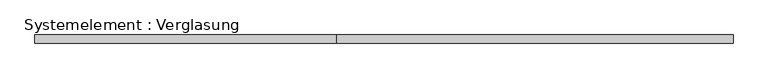
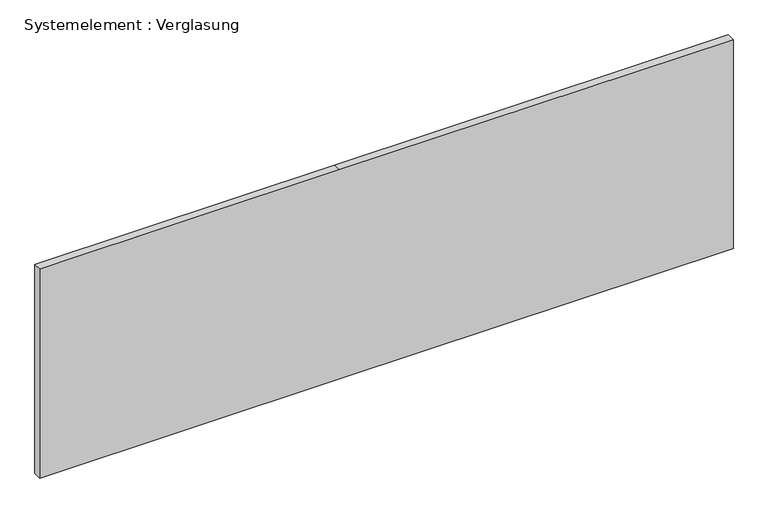
"""IFC4 building model written with IfcOpenShell, lengths in millimetres: plate geometry, Systemelement : Verglasung."""

from ifc_helpers import new_model, si_unit, frame, origin, place, context, project, spatial, polyline, outline, extrude, source, transform, mapped, element, save


def systemelement_verglasung_7e471e20(model_context):
    return source(origin(), model_context, "Body", "SweptSolid", [
        extrude(outline(polyline([(0.0, -1290.0000001), (0.0, -175.0294527), (0.0, 1290.0000001), (823.3333333, 1290.0000001), (823.3333333, -175.0294527), (823.3333333, -1290.0000001), (0.0, -1290.0000001)])), frame((0.0, -15.0, 0.0), z_axis=(0.0, 1.0, 0.0), x_axis=(0.0, 0.0, 1.0)), (0.0, 0.0, 1.0), 30.0),
    ])


if __name__ == "__main__":
    model = new_model("IFC4")
    model_context = context("Model", 3, world=origin())
    ifc_project = project(units=[si_unit("LENGTHUNIT", "METRE", prefix="MILLI")], contexts=[model_context])
    site = spatial("IfcSite", under=ifc_project)
    building = spatial("IfcBuilding", under=site)
    placement = place(None, origin())
    systemelement_verglasung_shape = systemelement_verglasung_7e471e20(model_context)
    element("IfcPlate", 1, ObjectType="Systemelement : Verglasung", at=placement, inside=building, context=model_context, shape_type="MappedRepresentation", body=[
        mapped(systemelement_verglasung_shape, transform((0.0, 0.0, 0.0), x_axis=(1.0, 0.0, 0.0), y_axis=(0.0, 1.0, 0.0), z_axis=(0.0, 0.0, 1.0))),
    ])
    save(model, "model.ifc")
